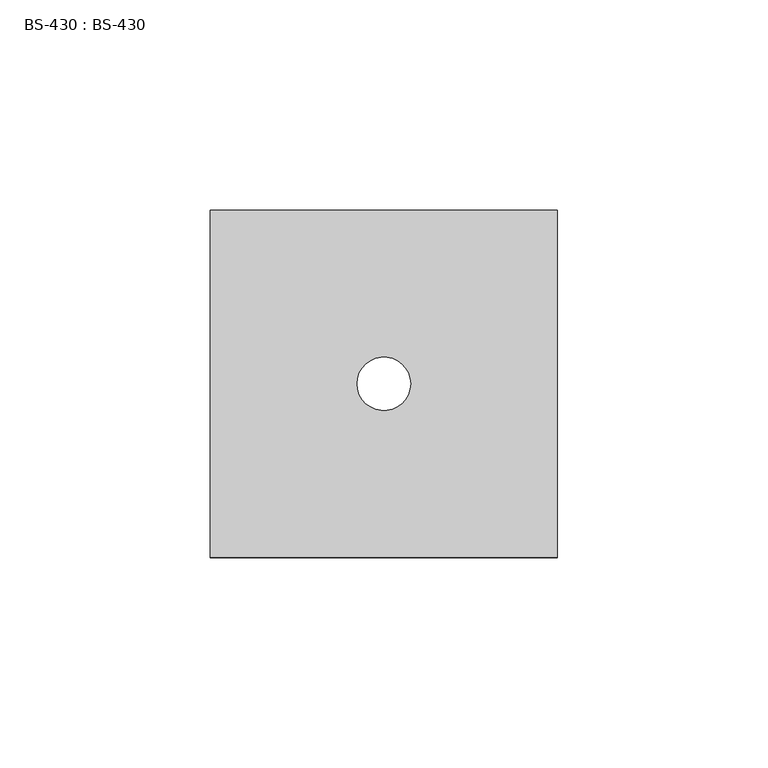
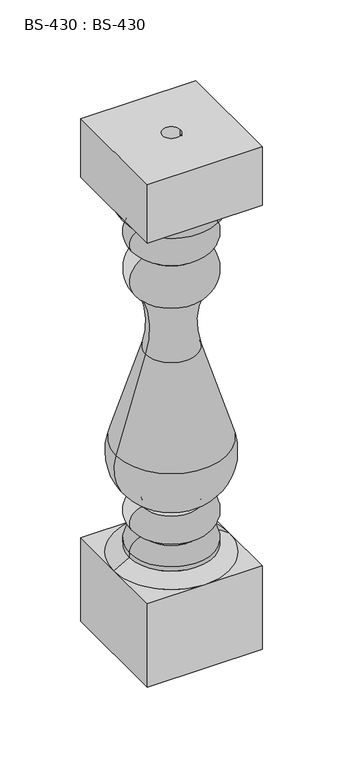
"""IFC4 building model written with IfcOpenShell, lengths in millimetres: proxy geometry, BS-430 : BS-430."""

from ifc_helpers import new_model, si_unit, point, frame, origin, place, context, project, spatial, polyline, circle_curve, ellipse_curve, trimmed, source, transform, mapped, element, save
from ifc_brep_helpers import plane_surface, cylinder_surface, revolved_surface, advanced_brep


def bs_430_bs_430_344e909b(model_context):
    return source(origin(), model_context, "Body", "AdvancedBrep", [
        advanced_brep(
        [(41.275, -41.275, 381.0), (-41.275, -41.275, 381.0), (-41.275, -41.275, 336.55), (41.275, -41.275, 336.55), (41.275, 41.275, 381.0), (41.275, 41.275, 336.55), (-41.275, 41.275, 336.55), (-41.275, 41.275, 381.0), (6.35, 0.0, 381.0), (-6.35, 0.0, 381.0), (38.1746662, 0.0, 336.55), (-38.1746662, 0.0, 336.55), (-6.35, 0.0, 0.0), (6.35, 0.0, 0.0), (-20.7121662, 0.0, 85.725), (20.7121662, 0.0, 85.725), (20.7121662, 0.0, 82.55), (-20.7121662, 0.0, 82.55), (-20.7121662, 0.0, 104.775), (20.7121662, 0.0, 104.775), (-20.08414, 0.0, 107.8204915), (20.08414, 0.0, 107.8204915), (-39.8210154, 0.0, 150.1830856), (39.8210154, 0.0, 150.1830856), (-18.6138841, 0.0, 219.4855314), (18.6138841, 0.0, 219.4855314), (-20.7121662, 0.0, 262.4031597), (20.7121662, 0.0, 262.4031597), (-20.0507079, 0.0, 293.8318683), (20.0507079, 0.0, 293.8318683), (-20.7121662, 0.0, 296.8625), (20.7121662, 0.0, 296.8625), (-20.7121662, 0.0, 315.9125), (20.7121662, 0.0, 315.9125), (-20.7121662, 0.0, 319.0875), (20.7121662, 0.0, 319.0875), (-30.2371662, 0.0, 73.025), (30.2371662, 0.0, 73.025), (30.2371662, 0.0, 69.85), (-30.2371662, 0.0, 69.85), (41.275, 0.0, 63.5), (0.0, 41.275, 63.5), (-41.275, 0.0, 63.5), (0.0, -41.275, 63.5), (-41.275, -41.275, 63.5), (-41.275, -41.275, 0.0), (41.275, -41.275, 0.0), (41.275, -41.275, 63.5), (41.275, 41.275, 63.5), (41.275, 41.275, 0.0), (-41.275, 41.275, 0.0), (-41.275, 41.275, 63.5)],
        [
            (0, 1),
            (1, 2),
            (2, 3),
            (3, 0),
            (4, 5),
            (5, 6),
            (6, 7),
            (7, 4),
            (0, 4),
            (7, 1),
            (8, 9, circle_curve(frame((0.0, 0.0, 381.0), z_axis=(0.0, 0.0, -1.0), x_axis=(-1.0, 0.0, 0.0)), 6.35)),
            (9, 8, circle_curve(frame((0.0, 0.0, 381.0), z_axis=(0.0, 0.0, -1.0), x_axis=(-1.0, 0.0, 0.0)), 6.35)),
            (6, 2),
            (5, 3),
            (10, 11, circle_curve(frame((0.0, 0.0, 336.55), z_axis=(0.0, 0.0, 1.0), x_axis=(1.0, 0.0, 0.0)), 38.1746662)),
            (11, 10, circle_curve(frame((0.0, 0.0, 336.55), z_axis=(0.0, 0.0, 1.0), x_axis=(1.0, 0.0, 0.0)), 38.1746662)),
            (12, 9),
            (8, 13),
            (13, 12, circle_curve(frame((0.0, 0.0, 0.0), z_axis=(0.0, 0.0, -1.0), x_axis=(-1.0, 0.0, 0.0)), 6.35)),
            (12, 13, circle_curve(frame((0.0, 0.0, 0.0), z_axis=(0.0, 0.0, -1.0), x_axis=(-1.0, 0.0, 0.0)), 6.35)),
            (14, 15, circle_curve(frame((0.0, 0.0, 85.725), z_axis=(0.0, 0.0, -1.0), x_axis=(1.0, 0.0, 0.0)), 20.7121662)),
            (15, 16, circle_curve(frame((20.7121662, 0.0, 84.1375), z_axis=(0.0, -1.0, 0.0), x_axis=(1.0, 0.0, 0.0)), 1.5875)),
            (16, 17, circle_curve(frame((0.0, 0.0, 82.55), z_axis=(0.0, 0.0, 1.0), x_axis=(1.0, 0.0, 0.0)), 20.7121662)),
            (17, 14, circle_curve(frame((-20.7121662, 0.0, 84.1375), z_axis=(0.0, -1.0, 0.0), x_axis=(-1.0, 0.0, 0.0)), 1.5875)),
            (15, 14, circle_curve(frame((0.0, 0.0, 85.725), z_axis=(0.0, 0.0, -1.0), x_axis=(1.0, 0.0, 0.0)), 20.7121662)),
            (17, 16, circle_curve(frame((0.0, 0.0, 82.55), z_axis=(0.0, 0.0, 1.0), x_axis=(1.0, 0.0, 0.0)), 20.7121662)),
            (14, 18, circle_curve(frame((-20.7121662, 0.0, 95.25), z_axis=(0.0, 1.0, 0.0), x_axis=(-1.0, 0.0, 0.0)), 9.525)),
            (18, 19, circle_curve(frame((0.0, 0.0, 104.775), z_axis=(0.0, 0.0, -1.0), x_axis=(1.0, 0.0, 0.0)), 20.7121662)),
            (19, 15, circle_curve(frame((20.7121662, 0.0, 95.25), z_axis=(0.0, 1.0, 0.0), x_axis=(1.0, 0.0, 0.0)), 9.525)),
            (19, 18, circle_curve(frame((0.0, 0.0, 104.775), z_axis=(0.0, 0.0, -1.0), x_axis=(1.0, 0.0, 0.0)), 20.7121662)),
            (18, 20, circle_curve(frame((-20.7121662, 0.0, 106.3625), z_axis=(0.0, -1.0, 0.0), x_axis=(-1.0, 0.0, 0.0)), 1.5875)),
            (20, 21, circle_curve(frame((0.0, 0.0, 107.8204915), z_axis=(0.0, 0.0, -1.0), x_axis=(1.0, 0.0, 0.0)), 20.08414)),
            (21, 19, circle_curve(frame((20.7121662, 0.0, 106.3625), z_axis=(0.0, -1.0, 0.0), x_axis=(1.0, 0.0, 0.0)), 1.5875)),
            (21, 20, circle_curve(frame((0.0, 0.0, 107.8204915), z_axis=(0.0, 0.0, -1.0), x_axis=(1.0, 0.0, 0.0)), 20.08414)),
            (20, 22, circle_curve(frame((-6.4246662, 0.0, 139.9635219), z_axis=(0.0, 1.0, 0.0), x_axis=(-0.3911087705520998, 0.0, -0.9203444624689306)), 34.925)),
            (22, 23, circle_curve(frame((0.0, 0.0, 150.1830856), z_axis=(0.0, 0.0, -1.0), x_axis=(1.0, 0.0, 0.0)), 39.8210154)),
            (23, 21, circle_curve(frame((6.4246662, 0.0, 139.9635219), z_axis=(0.0, 1.0, 0.0), x_axis=(0.3911087705520968, 0.0, -0.920344462468932)), 34.925)),
            (23, 22, circle_curve(frame((0.0, 0.0, 150.1830856), z_axis=(0.0, 0.0, -1.0), x_axis=(1.0, 0.0, 0.0)), 39.8210154)),
            (22, 24),
            (24, 25, circle_curve(frame((0.0, 0.0, 219.4855314), z_axis=(0.0, 0.0, -1.0), x_axis=(1.0, 0.0, 0.0)), 18.6138841)),
            (25, 23),
            (25, 24, circle_curve(frame((0.0, 0.0, 219.4855314), z_axis=(0.0, 0.0, -1.0), x_axis=(1.0, 0.0, 0.0)), 18.6138841)),
            (24, 26, circle_curve(frame((-79.2229249, 0.0, 238.0324076), z_axis=(0.0, -1.0, 0.0), x_axis=(0.9562304718791671, 0.0, -0.29261456670805963)), 63.3832978)),
            (26, 27, circle_curve(frame((0.0, 0.0, 262.4031597), z_axis=(0.0, 0.0, -1.0), x_axis=(1.0, 0.0, 0.0)), 20.7121662)),
            (27, 25, circle_curve(frame((79.2229249, 0.0, 238.0324076), z_axis=(0.0, -1.0, 0.0), x_axis=(-0.956230471879168, 0.0, -0.2926145667080565)), 63.3832978)),
            (27, 26, circle_curve(frame((0.0, 0.0, 262.4031597), z_axis=(0.0, 0.0, -1.0), x_axis=(1.0, 0.0, 0.0)), 20.7121662)),
            (26, 28, circle_curve(frame((-12.7746662, 0.0, 277.9574195), z_axis=(0.0, 1.0, 0.0), x_axis=(-1.0, 0.0, 0.0)), 17.4625)),
            (28, 29, circle_curve(frame((0.0, 0.0, 293.8318683), z_axis=(0.0, 0.0, -1.0), x_axis=(1.0, 0.0, 0.0)), 20.0507079)),
            (29, 27, circle_curve(frame((12.7746662, 0.0, 277.9574195), z_axis=(0.0, 1.0, 0.0), x_axis=(1.0, 0.0, 0.0)), 17.4625)),
            (29, 28, circle_curve(frame((0.0, 0.0, 293.8318683), z_axis=(0.0, 0.0, -1.0), x_axis=(1.0, 0.0, 0.0)), 20.0507079)),
            (28, 30, circle_curve(frame((-20.7121662, 0.0, 295.275), z_axis=(0.0, -1.0, 0.0), x_axis=(-1.0, 0.0, 0.0)), 1.5875)),
            (30, 31, circle_curve(frame((0.0, 0.0, 296.8625), z_axis=(0.0, 0.0, -1.0), x_axis=(1.0, 0.0, 0.0)), 20.7121662)),
            (31, 29, circle_curve(frame((20.7121662, 0.0, 295.275), z_axis=(0.0, -1.0, 0.0), x_axis=(1.0, 0.0, 0.0)), 1.5875)),
            (31, 30, circle_curve(frame((0.0, 0.0, 296.8625), z_axis=(0.0, 0.0, -1.0), x_axis=(1.0, 0.0, 0.0)), 20.7121662)),
            (30, 32, circle_curve(frame((-20.7121662, 0.0, 306.3875), z_axis=(0.0, 1.0, 0.0), x_axis=(-1.0, 0.0, 0.0)), 9.525)),
            (32, 33, circle_curve(frame((0.0, 0.0, 315.9125), z_axis=(0.0, 0.0, -1.0), x_axis=(1.0, 0.0, 0.0)), 20.7121662)),
            (33, 31, circle_curve(frame((20.7121662, 0.0, 306.3875), z_axis=(0.0, 1.0, 0.0), x_axis=(1.0, 0.0, 0.0)), 9.525)),
            (33, 32, circle_curve(frame((0.0, 0.0, 315.9125), z_axis=(0.0, 0.0, -1.0), x_axis=(1.0, 0.0, 0.0)), 20.7121662)),
            (32, 34, circle_curve(frame((-20.7121662, 0.0, 317.5), z_axis=(0.0, -1.0, 0.0), x_axis=(-1.0, 0.0, 0.0)), 1.5875)),
            (34, 35, circle_curve(frame((0.0, 0.0, 319.0875), z_axis=(0.0, 0.0, -1.0), x_axis=(1.0, 0.0, 0.0)), 20.7121662)),
            (35, 33, circle_curve(frame((20.7121662, 0.0, 317.5), z_axis=(0.0, -1.0, 0.0), x_axis=(1.0, 0.0, 0.0)), 1.5875)),
            (35, 34, circle_curve(frame((0.0, 0.0, 319.0875), z_axis=(0.0, 0.0, -1.0), x_axis=(1.0, 0.0, 0.0)), 20.7121662)),
            (34, 11, circle_curve(frame((-20.7121662, 0.0, 336.55), z_axis=(0.0, 1.0, 0.0), x_axis=(-1.0, 0.0, 0.0)), 17.4625)),
            (10, 35, circle_curve(frame((20.7121662, 0.0, 336.55), z_axis=(0.0, 1.0, 0.0), x_axis=(1.0, 0.0, 0.0)), 17.4625)),
            (36, 37, circle_curve(frame((0.0, 0.0, 73.025), z_axis=(0.0, 0.0, -1.0), x_axis=(1.0, 0.0, 0.0)), 30.2371662)),
            (37, 38),
            (38, 39, circle_curve(frame((0.0, 0.0, 69.85), z_axis=(0.0, 0.0, 1.0), x_axis=(1.0, 0.0, 0.0)), 30.2371662)),
            (39, 36),
            (37, 36, circle_curve(frame((0.0, 0.0, 73.025), z_axis=(0.0, 0.0, -1.0), x_axis=(1.0, 0.0, 0.0)), 30.2371662)),
            (39, 38, circle_curve(frame((0.0, 0.0, 69.85), z_axis=(0.0, 0.0, 1.0), x_axis=(1.0, 0.0, 0.0)), 30.2371662)),
            (16, 37, circle_curve(frame((20.7121662, 0.0, 73.025), z_axis=(0.0, 1.0, 0.0), x_axis=(1.0, 0.0, 0.0)), 9.525)),
            (36, 17, circle_curve(frame((-20.7121662, 0.0, 73.025), z_axis=(0.0, 1.0, 0.0), x_axis=(-1.0, 0.0, 0.0)), 9.525)),
            (38, 40, circle_curve(frame((-0.1227362, 0.0, 4.3089457), z_axis=(0.0, 1.0, 0.0), x_axis=(1.0, 0.0, 0.0)), 72.23125)),
            (40, 41, circle_curve(frame((0.0, 0.0, 63.5), z_axis=(0.0, 0.0, 1.0), x_axis=(1.0, 0.0, 0.0)), 41.275)),
            (41, 42, circle_curve(frame((0.0, 0.0, 63.5), z_axis=(0.0, 0.0, 1.0), x_axis=(1.0, 0.0, 0.0)), 41.275)),
            (42, 39, circle_curve(frame((0.1227362, 0.0, 4.3089457), z_axis=(0.0, 1.0, 0.0), x_axis=(-1.0, 0.0, 0.0)), 72.23125)),
            (42, 43, circle_curve(frame((0.0, 0.0, 63.5), z_axis=(0.0, 0.0, 1.0), x_axis=(1.0, 0.0, 0.0)), 41.275)),
            (43, 40, circle_curve(frame((0.0, 0.0, 63.5), z_axis=(0.0, 0.0, 1.0), x_axis=(1.0, 0.0, 0.0)), 41.275)),
            (44, 45),
            (45, 46),
            (46, 47),
            (47, 43),
            (43, 44),
            (48, 49),
            (49, 50),
            (50, 51),
            (51, 41),
            (41, 48),
            (47, 40),
            (40, 48),
            (51, 42),
            (42, 44),
            (50, 45),
            (49, 46),
        ],
        [
            plane_surface(frame((-163.2230291, -41.275, 381.0), z_axis=(0.0, -1.0, 0.0), x_axis=(-1.0, 0.0, 0.0))),
            plane_surface(frame((-163.2230291, 41.275, 381.0), z_axis=(0.0, 1.0, 0.0), x_axis=(1.0, 0.0, 0.0))),
            plane_surface(frame((41.275, -41.275, 381.0), z_axis=(0.0, 0.0, 1.0), x_axis=(0.0, 1.0, 0.0))),
            plane_surface(frame((-41.275, -41.275, 381.0), z_axis=(-1.0, 0.0, 0.0), x_axis=(0.0, 1.0, 0.0))),
            plane_surface(frame((-41.275, -41.275, 336.55), z_axis=(0.0, 0.0, -1.0), x_axis=(0.0, 1.0, 0.0))),
            plane_surface(frame((41.275, -41.275, 336.55), z_axis=(1.0, 0.0, 0.0), x_axis=(0.0, 1.0, 0.0))),
            revolved_surface(polyline([(-6.35, 0.0, 0.0), (-6.35, 0.0, 381.0)]), (0.0, 0.0, 381.0), (0.0, 0.0, -1.0)),
            revolved_surface(trimmed(ellipse_curve(frame((20.7121662, 0.0, 84.1375), z_axis=(0.0, 1.0, 0.0), x_axis=(1.0, 0.0, 0.0)), 1.5875, 1.5875), [point((20.7121662, 0.0, 82.55))], [point((20.7121662, 0.0, 85.725))], True, "CARTESIAN"), (0.0, 0.0, 336.55), (0.0, 0.0, 1.0)),
            revolved_surface(trimmed(ellipse_curve(frame((20.7121662, 0.0, 95.25), z_axis=(0.0, -1.0, 0.0), x_axis=(1.0, 0.0, 0.0)), 9.525, 9.525), [point((20.7121662, 0.0, 85.725))], [point((20.7121662, 0.0, 104.775))], True, "CARTESIAN"), (0.0, 0.0, 336.55), (0.0, 0.0, 1.0)),
            revolved_surface(trimmed(ellipse_curve(frame((20.7121662, 0.0, 106.3625), z_axis=(0.0, 1.0, 0.0), x_axis=(1.0, 0.0, 0.0)), 1.5875, 1.5875), [point((20.7121662, 0.0, 104.775))], [point((20.08414, 0.0, 107.8204915))], True, "CARTESIAN"), (0.0, 0.0, 336.55), (0.0, 0.0, 1.0)),
            revolved_surface(trimmed(ellipse_curve(frame((6.4246662, 0.0, 139.9635219), z_axis=(0.0, -1.0, 0.0), x_axis=(0.3911087705520968, 0.0, -0.920344462468932)), 34.925, 34.925), [point((20.08414, 0.0, 107.8204915))], [point((39.8210154, 0.0, 150.1830856))], True, "CARTESIAN"), (0.0, 0.0, 336.55), (0.0, 0.0, 1.0)),
            revolved_surface(polyline([(39.8210154, 0.0, 150.1830856), (18.6138841, 0.0, 219.4855314)]), (0.0, 0.0, 336.55), (0.0, 0.0, 1.0)),
            revolved_surface(trimmed(ellipse_curve(frame((79.2229249, 0.0, 238.0324076), z_axis=(0.0, 1.0, 0.0), x_axis=(-0.956230471879168, 0.0, -0.2926145667080565)), 63.3832978, 63.3832978), [point((18.6138841, 0.0, 219.4855314))], [point((20.7121662, 0.0, 262.4031597))], True, "CARTESIAN"), (0.0, 0.0, 336.55), (0.0, 0.0, 1.0)),
            revolved_surface(trimmed(ellipse_curve(frame((12.7746662, 0.0, 277.9574195), z_axis=(0.0, -1.0, 0.0), x_axis=(1.0, 0.0, 0.0)), 17.4625, 17.4625), [point((20.7121662, 0.0, 262.4031597))], [point((20.0507079, 0.0, 293.8318683))], True, "CARTESIAN"), (0.0, 0.0, 336.55), (0.0, 0.0, 1.0)),
            revolved_surface(trimmed(ellipse_curve(frame((20.7121662, 0.0, 295.275), z_axis=(0.0, 1.0, 0.0), x_axis=(1.0, 0.0, 0.0)), 1.5875, 1.5875), [point((20.0507079, 0.0, 293.8318683))], [point((20.7121662, 0.0, 296.8625))], True, "CARTESIAN"), (0.0, 0.0, 336.55), (0.0, 0.0, 1.0)),
            revolved_surface(trimmed(ellipse_curve(frame((20.7121662, 0.0, 306.3875), z_axis=(0.0, -1.0, 0.0), x_axis=(1.0, 0.0, 0.0)), 9.525, 9.525), [point((20.7121662, 0.0, 296.8625))], [point((20.7121662, 0.0, 315.9125))], True, "CARTESIAN"), (0.0, 0.0, 336.55), (0.0, 0.0, 1.0)),
            revolved_surface(trimmed(ellipse_curve(frame((20.7121662, 0.0, 317.5), z_axis=(0.0, 1.0, 0.0), x_axis=(1.0, 0.0, 0.0)), 1.5875, 1.5875), [point((20.7121662, 0.0, 315.9125))], [point((20.7121662, 0.0, 319.0875))], True, "CARTESIAN"), (0.0, 0.0, 336.55), (0.0, 0.0, 1.0)),
            revolved_surface(trimmed(ellipse_curve(frame((20.7121662, 0.0, 336.55), z_axis=(0.0, -1.0, 0.0), x_axis=(1.0, 0.0, 0.0)), 17.4625, 17.4625), [point((20.7121662, 0.0, 319.0875))], [point((38.1746662, 0.0, 336.55))], True, "CARTESIAN"), (0.0, 0.0, 336.55), (0.0, 0.0, 1.0)),
            cylinder_surface(frame((0.0, 0.0, 336.55), z_axis=(0.0, 0.0, 1.0), x_axis=(1.0, 0.0, 0.0)), 30.2371662),
            revolved_surface(trimmed(ellipse_curve(frame((20.7121662, 0.0, 73.025), z_axis=(0.0, -1.0, 0.0), x_axis=(1.0, 0.0, 0.0)), 9.525, 9.525), [point((30.2371662, 0.0, 73.025))], [point((20.7121662, 0.0, 82.55))], True, "CARTESIAN"), (0.0, 0.0, 336.55), (0.0, 0.0, 1.0)),
            revolved_surface(trimmed(ellipse_curve(frame((-0.1227362, 0.0, 4.3089457), z_axis=(0.0, -1.0, 0.0), x_axis=(1.0, 0.0, 0.0)), 72.23125, 72.23125), [point((41.275, 0.0, 63.5))], [point((30.2371662, 0.0, 69.85))], True, "CARTESIAN"), (0.0, 0.0, 336.55), (0.0, 0.0, 1.0)),
            plane_surface(frame((-163.2230291, -41.275, 63.5), z_axis=(0.0, -1.0, 0.0), x_axis=(-1.0, 0.0, 0.0))),
            plane_surface(frame((-163.2230291, 41.275, 63.5), z_axis=(0.0, 1.0, 0.0), x_axis=(1.0, 0.0, 0.0))),
            plane_surface(frame((41.275, -41.275, 63.5), z_axis=(0.0, 0.0, 1.0), x_axis=(0.0, 1.0, 0.0))),
            plane_surface(frame((-41.275, -41.275, 63.5), z_axis=(-1.0, 0.0, 0.0), x_axis=(0.0, 1.0, 0.0))),
            plane_surface(frame((-41.275, -41.275, 0.0), z_axis=(0.0, 0.0, -1.0), x_axis=(0.0, 1.0, 0.0))),
            plane_surface(frame((41.275, -41.275, 0.0), z_axis=(1.0, 0.0, 0.0), x_axis=(0.0, 1.0, 0.0))),
        ],
        [
            (0, [[1, 2, 3, 4]]),
            (1, [[5, 6, 7, 8]]),
            (2, [[-1, 9, -8, 10], [11, 12]]),
            (3, [[-2, -10, -7, 13]]),
            (4, [[-3, -13, -6, 14], [15, 16]]),
            (5, [[-4, -14, -5, -9]]),
            (6, [[17, -11, 18, 19]]),
            (6, [[-17, 20, -18, -12]]),
            (7, [[21, 22, 23, 24]]),
            (7, [[-22, 25, -24, 26]]),
            (8, [[-21, 27, 28, 29]]),
            (8, [[-25, -29, 30, -27]]),
            (9, [[-28, 31, 32, 33]]),
            (9, [[-30, -33, 34, -31]]),
            (10, [[-32, 35, 36, 37]]),
            (10, [[-34, -37, 38, -35]]),
            (11, [[-36, 39, 40, 41]]),
            (11, [[-38, -41, 42, -39]]),
            (12, [[-40, 43, 44, 45]]),
            (12, [[-42, -45, 46, -43]]),
            (13, [[-44, 47, 48, 49]]),
            (13, [[-46, -49, 50, -47]]),
            (14, [[-48, 51, 52, 53]]),
            (14, [[-50, -53, 54, -51]]),
            (15, [[-52, 55, 56, 57]]),
            (15, [[-54, -57, 58, -55]]),
            (16, [[-56, 59, 60, 61]]),
            (16, [[-58, -61, 62, -59]]),
            (17, [[-60, 63, -15, 64]]),
            (17, [[-62, -64, -16, -63]]),
            (18, [[65, 66, 67, 68]]),
            (18, [[-66, 69, -68, 70]]),
            (19, [[-23, 71, -65, 72]]),
            (19, [[-26, -72, -69, -71]]),
            (20, [[-67, 73, 74, 75, 76]]),
            (20, [[-70, -76, 77, 78, -73]]),
            (21, [[79, 80, 81, 82, 83]]),
            (22, [[84, 85, 86, 87, 88]]),
            (23, [[89, -78, -82]]),
            (23, [[90, -88, -74]]),
            (23, [[91, -75, -87]]),
            (23, [[92, -83, -77]]),
            (24, [[-79, -92, -91, -86, 93]]),
            (25, [[-80, -93, -85, 94], [-19, -20]]),
            (26, [[-81, -94, -84, -90, -89]]),
        ],
    ),
    ])


if __name__ == "__main__":
    model = new_model("IFC4")
    model_context = context("Model", 3, world=origin())
    ifc_project = project(units=[si_unit("LENGTHUNIT", "METRE", prefix="MILLI")], contexts=[model_context])
    site = spatial("IfcSite", under=ifc_project)
    building = spatial("IfcBuilding", under=site)
    placement = place(None, origin())
    bs_430_bs_430_shape = bs_430_bs_430_344e909b(model_context)
    element("IfcBuildingElementProxy", 1, Name="BS-430 : BS-430", ObjectType="BS-430 : BS-430", at=placement, inside=building, context=model_context, shape_type="MappedRepresentation", body=[
        mapped(bs_430_bs_430_shape, transform((0.0, 0.0, 0.0), x_axis=(1.0, 0.0, 0.0), y_axis=(0.0, 1.0, 0.0), z_axis=(0.0, 0.0, 1.0))),
    ])
    save(model, "model.ifc")
